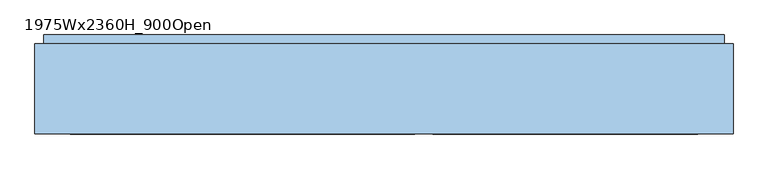
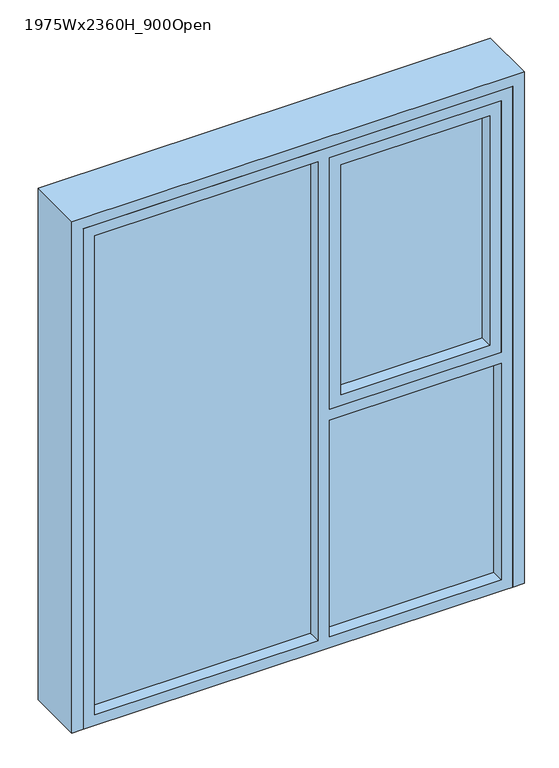
"""IFC4 building model written with IfcOpenShell, lengths in millimetres: window geometry, 1975Wx2360H_900Open."""

from ifc_helpers import new_model, si_unit, frame, origin, origin_with_axes, place, context, project, spatial, polyline, outline, extrude, faceted_brep, source, transform, mapped, element, save


def window_1975wx2360h_900open_d8dd6f86(model_context):
    return source(origin(), model_context, "Body", "SolidModel", [
        extrude(outline(polyline([(837.5, 67.0), (837.5, 49.0), (187.5, 49.0), (187.5, 67.0), (837.5, 67.0)])), frame((0.0, 0.0, 1150.0), z_axis=(0.0, 0.0, 1.0), x_axis=(1.0, 0.0, 0.0)), (0.0, 0.0, 1.0), 1060.0),
        extrude(outline(polyline([(87.5, 67.0), (87.5, 49.0), (-887.5, 49.0), (-887.5, 67.0), (87.5, 67.0)])), frame((0.0, 0.0, 50.0), z_axis=(0.0, 0.0, 1.0), x_axis=(1.0, 0.0, 0.0)), (0.0, 0.0, 1.0), 2210.0),
        extrude(outline(polyline([(2260.0, 887.5), (2260.0, 137.5), (1100.0, 137.5), (1100.0, 887.5), (2260.0, 887.5)]), holes=[polyline([(2210.0, 837.5), (1150.0, 837.5), (1150.0, 187.5), (2210.0, 187.5), (2210.0, 837.5)])]), frame((0.0, -8.0, 0.0), z_axis=(0.0, 1.0, 0.0), x_axis=(0.0, 0.0, 1.0)), (0.0, 0.0, 1.0), 100.0),
        faceted_brep([(962.5, 272.0, 2335.0), (962.5, 247.0, 2335.0), (962.5, 247.0, 0.0), (962.5, 272.0, 0.0), (987.5, 247.0, 0.0), (-962.5, 247.0, 2335.0), (-962.5, 247.0, 0.0), (-987.5, 247.0, 0.0), (-987.5, 247.0, 2360.0), (987.5, 247.0, 2360.0), (987.5, -8.0, 0.0), (937.5, -8.0, 0.0), (937.5, 272.0, 0.0), (-962.5, 272.0, 0.0), (-937.5, 272.0, 0.0), (-937.5, -8.0, 0.0), (-987.5, -8.0, 0.0), (-962.5, 272.0, 2335.0), (937.5, 272.0, 2310.0), (-937.5, 272.0, 2310.0), (-987.5, -8.0, 2360.0), (987.5, -8.0, 2360.0), (937.5, -8.0, 2310.0), (-937.5, -8.0, 2310.0)], [[[0, 1, 2, 3]], [[4, 2, 1, 5, 6, 7, 8, 9]], [[3, 2, 4, 10, 11, 12]], [[13, 14, 15, 16, 7, 6]], [[17, 0, 3, 12, 18, 19, 14, 13]], [[6, 5, 17, 13]], [[8, 7, 16, 20]], [[21, 10, 4, 9]], [[12, 11, 22, 18]], [[15, 14, 19, 23]], [[16, 15, 23, 22, 11, 10, 21, 20]], [[1, 0, 17, 5]], [[19, 18, 22, 23]], [[9, 8, 20, 21]]]),
        extrude(outline(polyline([(2310.0, -937.5), (0.0, -937.5), (0.0, 897.5), (0.0, 937.5), (2310.0, 937.5), (2310.0, -937.5)]), holes=[polyline([(1100.0, 887.5), (1100.0, 137.5), (2260.0, 137.5), (2260.0, 887.5), (1100.0, 887.5)]), polyline([(2260.0, 87.5), (50.0, 87.5), (50.0, -887.5), (2260.0, -887.5), (2260.0, 87.5)]), polyline([(1050.0, 137.5), (1050.0, 887.5), (50.0, 887.5), (50.0, 137.5), (1050.0, 137.5)])]), frame((0.0, -8.0, 0.0), z_axis=(0.0, 1.0, 0.0), x_axis=(0.0, 0.0, 1.0)), (0.0, 0.0, 1.0), 100.0),
        extrude(outline(polyline([(887.5, 67.0), (887.5, 49.0), (137.5, 49.0), (137.5, 67.0), (887.5, 67.0)])), frame((0.0, 0.0, 50.0), z_axis=(0.0, 0.0, 1.0), x_axis=(1.0, 0.0, 0.0)), (0.0, 0.0, 1.0), 1000.0),
        extrude(outline(polyline([(937.5, 272.0), (937.5, 92.0), (-937.5, 92.0), (-937.5, 272.0), (937.5, 272.0)])), origin_with_axes(), (0.0, 0.0, 1.0), 15.0),
    ])


if __name__ == "__main__":
    model = new_model("IFC4")
    model_context = context("Model", 3, world=origin())
    ifc_project = project(units=[si_unit("LENGTHUNIT", "METRE", prefix="MILLI")], contexts=[model_context])
    site = spatial("IfcSite", under=ifc_project)
    building = spatial("IfcBuilding", under=site)
    placement = place(None, origin())
    window_1975wx2360h_900open_shape = window_1975wx2360h_900open_d8dd6f86(model_context)
    element("IfcWindow", 1, ObjectType="1975Wx2360H_900Open", at=placement, inside=building, context=model_context, shape_type="MappedRepresentation", body=[
        mapped(window_1975wx2360h_900open_shape, transform((0.0, 0.0, 0.0), x_axis=(1.0, 0.0, 0.0), y_axis=(0.0, 1.0, 0.0), z_axis=(0.0, 0.0, 1.0))),
    ])
    save(model, "model.ifc")
